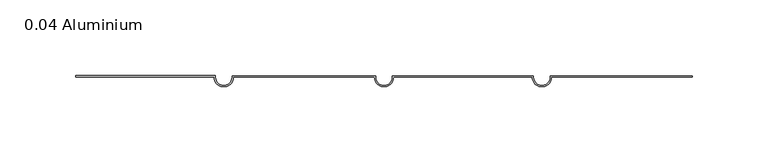
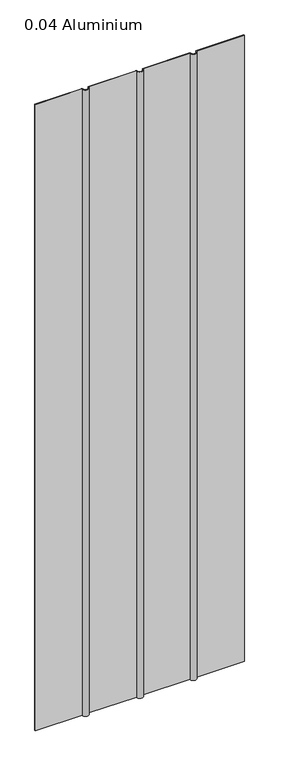
"""IFC4 building model written with IfcOpenShell, lengths in millimetres: plate geometry, 0.04 Aluminium."""

from ifc_helpers import new_model, si_unit, point, frame_2d, origin, origin_with_axes, origin_2d, place, context, project, spatial, polyline, circle_curve, trimmed, segment, composite_curve, outline, extrude, source, transform, mapped, element, save


def plate_0_04_aluminium_0b8a259f(model_context):
    return source(origin(), model_context, "Body", "SweptSolid", [
        extrude(outline(composite_curve([segment(polyline([(-111.1987494, 1.016), (-111.1987494, 0.0)]), True, "CONTINUOUS"), segment(trimmed(circle_curve(frame_2d((-105.6615494, 0.0)), 5.5372), [point((-111.1987494, 0.0))], [point((-100.1243494, 0.0))], True, "CARTESIAN"), True, "CONTINUOUS"), segment(polyline([(-100.1243494, 0.0), (-100.1243494, 0.8128), (-5.5372, 0.8128), (-5.5372, 0.0)]), True, "CONTINUOUS"), segment(trimmed(circle_curve(origin_2d(), 5.5372), [point((-5.5372, 0.0))], [point((5.5372, 0.0))], True, "CARTESIAN"), True, "CONTINUOUS"), segment(polyline([(5.5372, 0.0), (5.5372, 0.8128), (98.53676, 0.8128), (98.53676, 0.0)]), True, "CONTINUOUS"), segment(trimmed(circle_curve(frame_2d((104.07396, 0.0)), 5.5372), [point((98.53676, 0.0))], [point((109.61116, 0.0))], True, "CARTESIAN"), True, "CONTINUOUS"), segment(polyline([(109.61116, 0.0), (109.61116, 0.8128), (203.2, 0.8128), (203.2, 0.0), (110.42396, 0.0)]), True, "CONTINUOUS"), segment(trimmed(circle_curve(frame_2d((104.07396, 0.0)), 6.35), [point((110.42396, 0.0))], [point((97.72396, 0.0))], False, "CARTESIAN"), True, "CONTINUOUS"), segment(polyline([(97.72396, 0.0), (6.35, 0.0)]), True, "CONTINUOUS"), segment(trimmed(circle_curve(origin_2d(), 6.35), [point((6.35, 0.0))], [point((-6.35, 0.0))], False, "CARTESIAN"), True, "CONTINUOUS"), segment(polyline([(-6.35, 0.0), (-99.3115494, 0.0)]), True, "CONTINUOUS"), segment(trimmed(circle_curve(frame_2d((-105.6615494, 0.0)), 6.35), [point((-99.3115494, 0.0))], [point((-112.0115494, 0.0))], False, "CARTESIAN"), True, "CONTINUOUS"), segment(polyline([(-112.0115494, 0.0), (-203.2, 0.0), (-203.2, 1.016), (-111.1987494, 1.016)]), True, "CONTINUOUS")], self_intersect=False)), origin_with_axes(), (0.0, 0.0, 1.0), 1285.875),
    ])


if __name__ == "__main__":
    model = new_model("IFC4")
    model_context = context("Model", 3, world=origin())
    ifc_project = project(units=[si_unit("LENGTHUNIT", "METRE", prefix="MILLI")], contexts=[model_context])
    site = spatial("IfcSite", under=ifc_project)
    building = spatial("IfcBuilding", under=site)
    placement = place(None, origin())
    plate_0_04_aluminium_shape = plate_0_04_aluminium_0b8a259f(model_context)
    element("IfcPlate", 1, ObjectType="0.04 Aluminium", at=placement, inside=building, context=model_context, shape_type="MappedRepresentation", body=[
        mapped(plate_0_04_aluminium_shape, transform((0.0, 0.0, 0.0), x_axis=(1.0, 0.0, 0.0), y_axis=(0.0, 1.0, 0.0), z_axis=(0.0, 0.0, 1.0))),
    ])
    save(model, "model.ifc")
